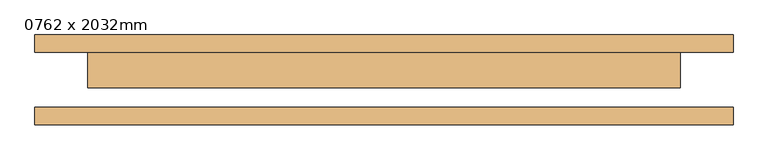
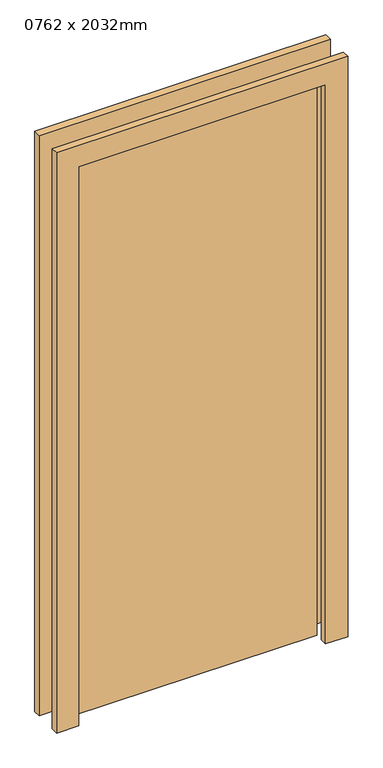
"""IFC4 building model written with IfcOpenShell, lengths in millimetres: door geometry, 0762 x 2032mm."""

from ifc_helpers import new_model, si_unit, frame, origin, origin_with_axes, place, context, project, spatial, polyline, outline, extrude, source, transform, mapped, element, save


def door_0762_x_2032mm_f50cd01b(model_context):
    return source(origin(), model_context, "Body", "SweptSolid", [
        extrude(outline(polyline([(2108.0, -501.0), (0.0, -501.0), (0.0, -425.0), (2032.0, -425.0), (2032.0, 425.0), (0.0, 425.0), (0.0, 501.0), (2108.0, 501.0), (2108.0, -501.0)])), frame((0.0, 39.5, 0.0), z_axis=(0.0, 1.0, 0.0), x_axis=(0.0, 0.0, 1.0)), (0.0, 0.0, 1.0), 25.0),
        extrude(outline(polyline([(2108.0, 501.0), (2108.0, -501.0), (0.0, -501.0), (0.0, -425.0), (2032.0, -425.0), (2032.0, 425.0), (0.0, 425.0), (0.0, 501.0), (2108.0, 501.0)])), frame((0.0, -64.5, 0.0), z_axis=(0.0, 1.0, 0.0), x_axis=(0.0, 0.0, 1.0)), (0.0, 0.0, 1.0), 25.0),
        extrude(outline(polyline([(425.0, -11.5), (-425.0, -11.5), (-425.0, 39.5), (425.0, 39.5), (425.0, -11.5)])), origin_with_axes(), (0.0, 0.0, 1.0), 2032.0),
    ])


if __name__ == "__main__":
    model = new_model("IFC4")
    model_context = context("Model", 3, world=origin())
    ifc_project = project(units=[si_unit("LENGTHUNIT", "METRE", prefix="MILLI")], contexts=[model_context])
    site = spatial("IfcSite", under=ifc_project)
    building = spatial("IfcBuilding", under=site)
    placement = place(None, origin())
    door_0762_x_2032mm_shape = door_0762_x_2032mm_f50cd01b(model_context)
    element("IfcDoor", 1, ObjectType="0762 x 2032mm", at=placement, inside=building, context=model_context, shape_type="MappedRepresentation", body=[
        mapped(door_0762_x_2032mm_shape, transform((0.0, 0.0, 0.0), x_axis=(1.0, 0.0, 0.0), y_axis=(0.0, 1.0, 0.0), z_axis=(0.0, 0.0, 1.0))),
    ])
    save(model, "model.ifc")
